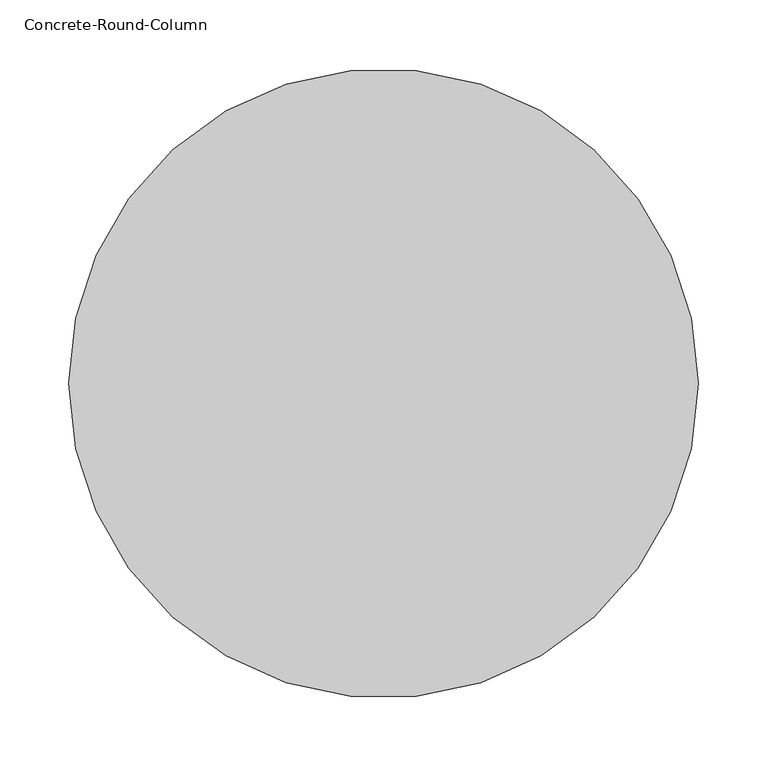
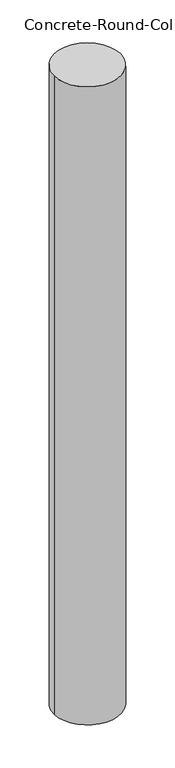
"""IFC4 building model written with IfcOpenShell, lengths in millimetres: column geometry, Concrete-Round-Column."""

from ifc_helpers import new_model, si_unit, point, frame, origin, origin_2d, place, context, project, spatial, circle_curve, trimmed, segment, composite_curve, outline, extrude, source, transform, mapped, element, save


def concrete_round_column_9e552cc1(model_context):
    return source(origin(), model_context, "Body", "SweptSolid", [
        extrude(outline(composite_curve([segment(trimmed(circle_curve(origin_2d(), 228.6), [point((-228.6, 0.0))], [point((228.6, 0.0))], False, "CARTESIAN"), True, "CONTINUOUS"), segment(trimmed(circle_curve(origin_2d(), 228.6), [point((228.6, 0.0))], [point((-228.6, 0.0))], False, "CARTESIAN"), True, "CONTINUOUS")], self_intersect=False)), frame((0.0, 0.0, -12801.6), z_axis=(0.0, 0.0, 1.0), x_axis=(1.0, 0.0, 0.0)), (0.0, 0.0, 1.0), 4641.85),
    ])


if __name__ == "__main__":
    model = new_model("IFC4")
    model_context = context("Model", 3, world=origin())
    ifc_project = project(units=[si_unit("LENGTHUNIT", "METRE", prefix="MILLI")], contexts=[model_context])
    site = spatial("IfcSite", under=ifc_project)
    building = spatial("IfcBuilding", under=site)
    placement = place(None, origin())
    concrete_round_column_shape = concrete_round_column_9e552cc1(model_context)
    element("IfcColumn", 1, ObjectType="Concrete-Round-Column", at=placement, inside=building, context=model_context, shape_type="MappedRepresentation", body=[
        mapped(concrete_round_column_shape, transform((0.0, 0.0, 0.0), x_axis=(1.0, 0.0, 0.0), y_axis=(0.0, 1.0, 0.0), z_axis=(0.0, 0.0, 1.0))),
    ])
    save(model, "model.ifc")
